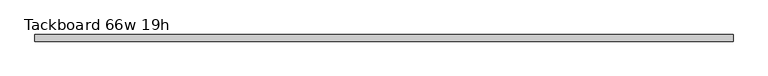
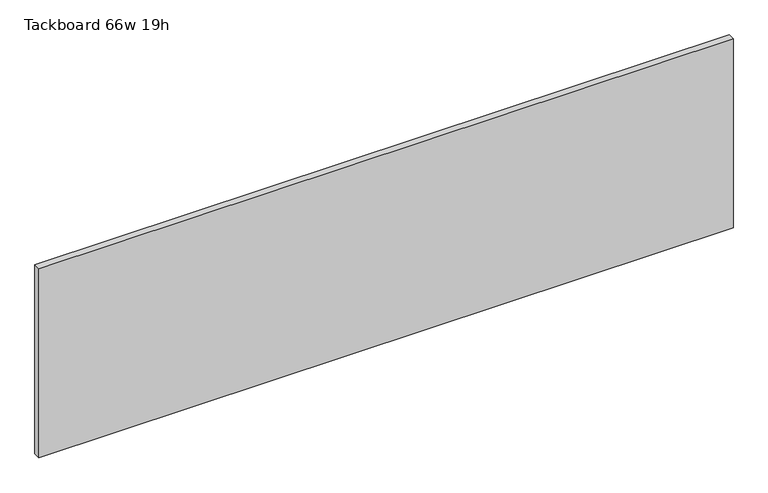
"""IFC4 building model written with IfcOpenShell, lengths in millimetres: furniture geometry, Tackboard 66w 19h."""

from ifc_helpers import new_model, si_unit, frame, origin, place, context, project, spatial, polyline, outline, extrude, source, transform, mapped, element, save


def tackboard_66w_19h_9ed7071f(model_context):
    return source(origin(), model_context, "Body", "SweptSolid", [
        extrude(outline(polyline([(840.6402902, -28.8968594), (-835.7597098, -28.8968594), (-835.7597098, -13.0218594), (840.6402902, -13.0218594), (840.6402902, -28.8968594)])), frame((0.0, 0.0, 1066.8), z_axis=(0.0, 0.0, 1.0), x_axis=(1.0, 0.0, 0.0)), (0.0, 0.0, 1.0), 482.6),
    ])


if __name__ == "__main__":
    model = new_model("IFC4")
    model_context = context("Model", 3, world=origin())
    ifc_project = project(units=[si_unit("LENGTHUNIT", "METRE", prefix="MILLI")], contexts=[model_context])
    site = spatial("IfcSite", under=ifc_project)
    building = spatial("IfcBuilding", under=site)
    placement = place(None, origin())
    tackboard_66w_19h_shape = tackboard_66w_19h_9ed7071f(model_context)
    element("IfcFurniture", 1, ObjectType="Tackboard 66w 19h", at=placement, inside=building, context=model_context, shape_type="MappedRepresentation", body=[
        mapped(tackboard_66w_19h_shape, transform((0.0, 0.0, 0.0), x_axis=(1.0, 0.0, 0.0), y_axis=(0.0, 1.0, 0.0), z_axis=(0.0, 0.0, 1.0))),
    ])
    save(model, "model.ifc")
